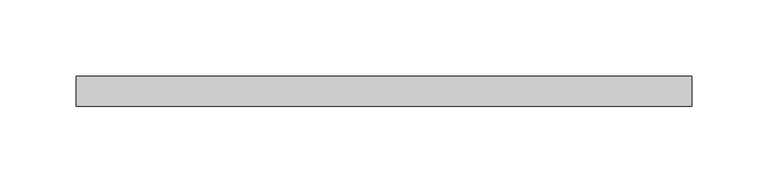
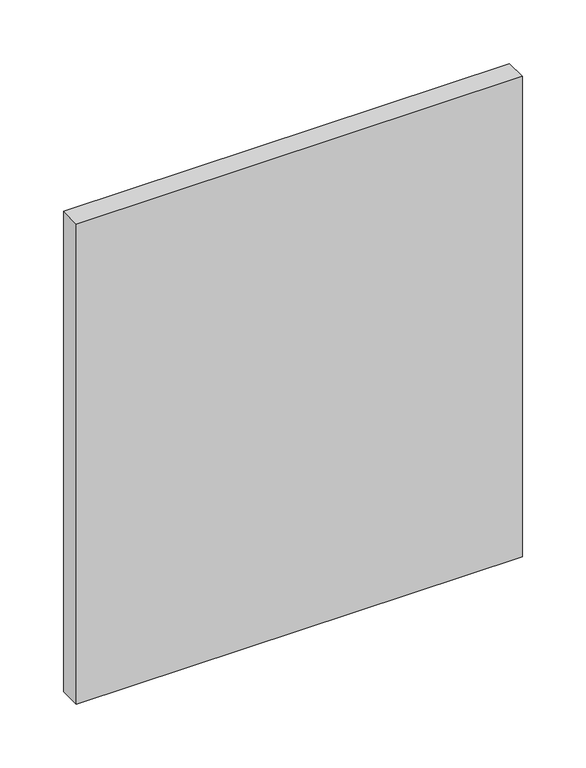
"""IFC4 building model written with IfcOpenShell, lengths in millimetres: plate geometry."""

import ifcopenshell
import ifcopenshell.guid

model = None  # the IFC model being written
_history = None  # IfcOwnerHistory: only IFC2X3 demands one
_inside = {}  # id of a spatial element -> (the spatial element, [elements in it])
_under = {}  # id of a project, library or spatial element -> (it, [spatial elements below it])
_declared = {}  # id of a project -> (the project, [libraries it declares])
_typed = {}  # id of a type object -> (the type object, [elements of that type])
_made_of = {}  # id of a material, layer set ... -> (it, [elements and type objects made of it])


def new_model(schema):
    """Start an empty IFC model of exactly this schema.

    Asked for "IFC4X3", IfcOpenShell would pick the latest addendum, in which some entities
    have other attributes; the version numbers below select the first issue.
    IFC2X3 requires an IfcOwnerHistory on every rooted entity: one is made here for all.
    """
    global model, _history
    if schema == "IFC4X3":
        model = ifcopenshell.file(schema_version=(4, 3, 0, 0))
    else:
        model = ifcopenshell.file(schema=schema)
    _inside.clear()
    _under.clear()
    _declared.clear()
    _typed.clear()
    _made_of.clear()
    _history = None
    if model.schema == "IFC2X3":
        org = make("IfcOrganization", Name="unknown")
        user = make(
            "IfcPersonAndOrganization",
            ThePerson=make("IfcPerson", FamilyName="unknown"),
            TheOrganization=org,
        )
        app = make(
            "IfcApplication",
            ApplicationDeveloper=org,
            Version="unknown",
            ApplicationFullName="unknown",
            ApplicationIdentifier="unknown",
        )
        _history = make(
            "IfcOwnerHistory",
            OwningUser=user,
            OwningApplication=app,
            ChangeAction="ADDED",
            CreationDate=0,
        )
    return model


def make(cls, **values):
    """One entity of the class cls with the attributes given. An attribute that is None is left unset."""
    return model.create_entity(
        cls, **{name: value for name, value in values.items() if value is not None}
    )


def rooted(cls, **values):
    """An entity with a GlobalId (a new one), such as an element, a storey or a relation."""
    return make(cls, GlobalId=ifcopenshell.guid.new(), OwnerHistory=_history, **values)


def si_unit(unit_type, name, prefix=None):
    """IfcSIUnit, for example si_unit("LENGTHUNIT", "METRE", prefix="MILLI")."""
    return make("IfcSIUnit", UnitType=unit_type, Prefix=prefix, Name=name)


def assignment(units):
    """IfcUnitAssignment: the units of a project."""
    return None if units is None else make("IfcUnitAssignment", Units=units)


def point(xyz):
    """IfcCartesianPoint."""
    return None if xyz is None else make("IfcCartesianPoint", Coordinates=xyz)


def direction(xyz):
    """IfcDirection."""
    return None if xyz is None else make("IfcDirection", DirectionRatios=xyz)


def frame(location, z_axis=None, x_axis=None):
    """IfcAxis2Placement3D, a coordinate frame: its origin and axes. An axis left out is left unset."""
    return make(
        "IfcAxis2Placement3D",
        Location=point(location),
        Axis=direction(z_axis),
        RefDirection=direction(x_axis),
    )


def origin():
    """The frame at (0, 0, 0) with its axes left unset."""
    return frame((0.0, 0.0, 0.0))


def origin_with_axes():
    """The frame at (0, 0, 0) with the z axis (0, 0, 1) and the x axis (1, 0, 0) written out."""
    return frame((0.0, 0.0, 0.0), z_axis=(0.0, 0.0, 1.0), x_axis=(1.0, 0.0, 0.0))


def place(relative_to, where):
    """IfcLocalPlacement: puts the frame where relative to a parent placement (None: the world)."""
    return make(
        "IfcLocalPlacement", PlacementRelTo=relative_to, RelativePlacement=where
    )


def context(
    kind, dimensions, precision=None, world=None, true_north=None, identifier=None
):
    """IfcGeometricRepresentationContext, for example the 3D "Model" context."""
    return make(
        "IfcGeometricRepresentationContext",
        ContextIdentifier=identifier,
        ContextType=kind,
        CoordinateSpaceDimension=dimensions,
        Precision=precision,
        WorldCoordinateSystem=world,
        TrueNorth=true_north,
    )


def project(units=None, contexts=None):
    """IfcProject with its units and contexts."""
    return rooted(
        "IfcProject",
        Name="project",
        RepresentationContexts=contexts,
        UnitsInContext=assignment(units),
    )


def spatial(cls, under=None, at=None, **own):
    """A site, building, storey or space (cls), placed at a placement, below another one or the project."""
    s = rooted(cls, ObjectPlacement=at, **own)
    if under is not None:
        _under.setdefault(under.id(), (under, []))[1].append(s)
    return s


def polyline(points):
    """IfcPolyline through the points."""
    return make("IfcPolyline", Points=[point(p) for p in points])


def outline(outer, holes=None, kind="AREA"):
    """IfcArbitraryClosedProfileDef: a profile drawn as a closed curve; with holes, ...WithVoids."""
    if holes is None:
        return make("IfcArbitraryClosedProfileDef", ProfileType=kind, OuterCurve=outer)
    return make(
        "IfcArbitraryProfileDefWithVoids",
        ProfileType=kind,
        OuterCurve=outer,
        InnerCurves=holes,
    )


def extrude(swept, where, along, depth):
    """IfcExtrudedAreaSolid: the profile swept, set in the frame where, extruded along a direction by depth."""
    return make(
        "IfcExtrudedAreaSolid",
        SweptArea=swept,
        Position=where,
        ExtrudedDirection=direction(along),
        Depth=depth,
    )


def shape(context_of_items, identifier, shape_type, items):
    """IfcShapeRepresentation: the items that make up one representation, for example the "Body"."""
    return make(
        "IfcShapeRepresentation",
        ContextOfItems=context_of_items,
        RepresentationIdentifier=identifier,
        RepresentationType=shape_type,
        Items=items,
    )


def source(mapping_origin, context_of_items, identifier, shape_type, items):
    """IfcRepresentationMap: a shape defined once, which mapped items show again and again."""
    return make(
        "IfcRepresentationMap",
        MappingOrigin=mapping_origin,
        MappedRepresentation=shape(context_of_items, identifier, shape_type, items),
    )


def transform(
    local_origin,
    x_axis=None,
    y_axis=None,
    z_axis=None,
    scale=None,
    scale2=None,
    scale3=None,
    uniform=True,
):
    """IfcCartesianTransformationOperator3D, or its non-uniform kind. x_axis, y_axis, z_axis: its Axis1, 2, 3."""
    if uniform:
        return make(
            "IfcCartesianTransformationOperator3D",
            Axis1=direction(x_axis),
            Axis2=direction(y_axis),
            LocalOrigin=point(local_origin),
            Scale=scale,
            Axis3=direction(z_axis),
        )
    return make(
        "IfcCartesianTransformationOperator3DnonUniform",
        Axis1=direction(x_axis),
        Axis2=direction(y_axis),
        LocalOrigin=point(local_origin),
        Scale=scale,
        Axis3=direction(z_axis),
        Scale2=scale2,
        Scale3=scale3,
    )


def mapped(mapping_source, mapping_target):
    """IfcMappedItem: shows the shape of a source again, moved by a transform."""
    return make(
        "IfcMappedItem", MappingSource=mapping_source, MappingTarget=mapping_target
    )


def made_of(thing, what):
    """Note that an element or type object is made of a material, layer set ...; save() writes the relation."""
    if what is not None:
        _made_of.setdefault(what.id(), (what, []))[1].append(thing)
    return thing


def element(
    cls,
    number,
    at=None,
    inside=None,
    cuts=None,
    type_object=None,
    material=None,
    context=None,
    identifier="Body",
    shape_type=None,
    held_by="IfcProductDefinitionShape",
    body=None,
    shapes=None,
    **own,
):
    """One element of the class cls, such as IfcWall. Its Tag is "e" and its number.

    at: its placement. inside: the storey or other place that contains it. cuts: it is an
    opening in that element (IfcRelVoidsElement). A single representation is given by context,
    identifier, shape_type and body (its items); several are given by shapes. held_by: the class
    of the entity that holds the representations. save() writes the other relations.
    """
    e = rooted(cls, Tag="e%d" % number, ObjectPlacement=at, **own)
    if body is not None:
        shapes = [shape(context, identifier, shape_type, body)]
    if shapes is not None:
        e.Representation = make(held_by, Representations=shapes)
    if inside is not None:
        _inside.setdefault(inside.id(), (inside, []))[1].append(e)
    if cuts is not None:
        rooted(
            "IfcRelVoidsElement", RelatingBuildingElement=cuts, RelatedOpeningElement=e
        )
    if type_object is not None:
        _typed.setdefault(type_object.id(), (type_object, []))[1].append(e)
    return made_of(e, material)


def aggregate(whole, parts):
    """IfcRelAggregates: a whole, such as a stair, and the parts it consists of."""
    return rooted("IfcRelAggregates", RelatingObject=whole, RelatedObjects=parts)


def save(model, path):
    """Write the relations noted so far, then the file.

    IfcRelAggregates (storeys below a building ...), IfcRelContainedInSpatialStructure (elements
    in a storey), IfcRelDefinesByType, IfcRelAssociatesMaterial and IfcRelDeclares: one each for
    every whole, place, type object, material and project.
    """
    for whole, parts in _under.values():
        aggregate(whole, parts)
    for where, things in _inside.values():
        rooted(
            "IfcRelContainedInSpatialStructure",
            RelatedElements=things,
            RelatingStructure=where,
        )
    for kind, things in _typed.values():
        rooted("IfcRelDefinesByType", RelatedObjects=things, RelatingType=kind)
    for what, things in _made_of.values():
        rooted("IfcRelAssociatesMaterial", RelatedObjects=things, RelatingMaterial=what)
    for by, libraries in _declared.values():
        rooted("IfcRelDeclares", RelatingContext=by, RelatedDefinitions=libraries)
    model.write(path)


def plate_9dfa37eb(model_context):
    return source(origin(), model_context, "Body", "SweptSolid", [
        extrude(outline(polyline([(202.5, 70.0), (-202.5, 70.0), (-202.5, 90.0), (202.5, 90.0), (202.5, 70.0)])), origin_with_axes(), (0.0, 0.0, 1.0), 461.0),
    ])


if __name__ == "__main__":
    model = new_model("IFC4")
    model_context = context("Model", 3, world=origin())
    ifc_project = project(units=[si_unit("LENGTHUNIT", "METRE", prefix="MILLI")], contexts=[model_context])
    site = spatial("IfcSite", under=ifc_project)
    building = spatial("IfcBuilding", under=site)
    placement = place(None, origin())
    plate_shape = plate_9dfa37eb(model_context)
    element("IfcPlate", 1, at=placement, inside=building, context=model_context, shape_type="MappedRepresentation", body=[
        mapped(plate_shape, transform((0.0, 0.0, 0.0), x_axis=(1.0, 0.0, 0.0), y_axis=(0.0, 1.0, 0.0), z_axis=(0.0, 0.0, 1.0))),
    ])
    save(model, "model.ifc")
